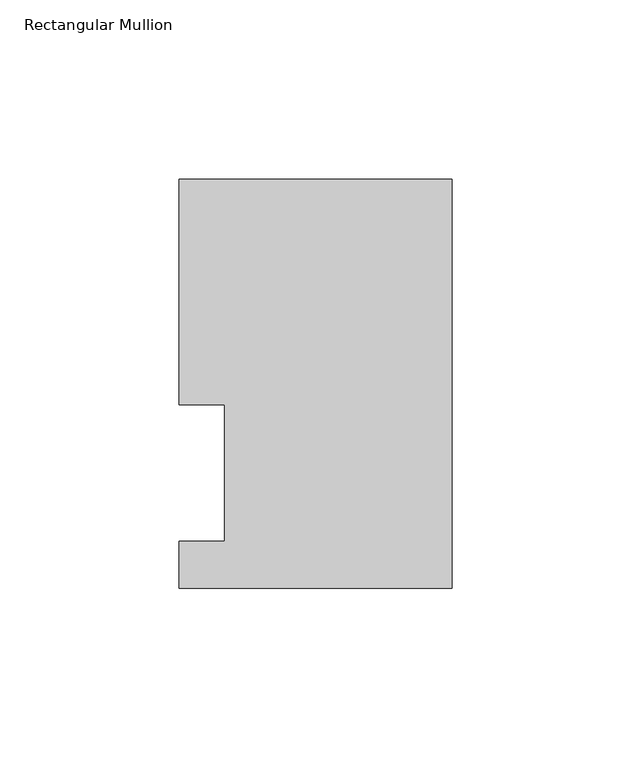
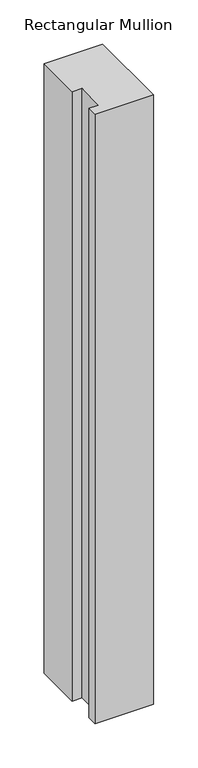
"""IFC4 building model written with IfcOpenShell, lengths in millimetres: member geometry, Rectangular Mullion."""

from ifc_helpers import new_model, si_unit, frame, origin, place, context, project, spatial, polyline, outline, extrude, source, transform, mapped, element, save


def rectangular_mullion_904b9cc3(model_context):
    return source(origin(), model_context, "Body", "SweptSolid", [
        extrude(outline(polyline([(0.0, 115.5779375), (0.0, 1.2982575), (-76.1999994, 1.2982575), (-76.1999994, 14.4859375), (-63.5, 14.4859375), (-63.5, 52.5859375), (-76.1991956, 52.5859375), (-76.1991956, 115.5779375), (0.0, 115.5779375)])), frame((0.0, 0.0, -838.3737198), z_axis=(0.0, 0.0, 1.0), x_axis=(1.0, 0.0, 0.0)), (0.0, 0.0, 1.0), 838.3737198),
    ])


if __name__ == "__main__":
    model = new_model("IFC4")
    model_context = context("Model", 3, world=origin())
    ifc_project = project(units=[si_unit("LENGTHUNIT", "METRE", prefix="MILLI")], contexts=[model_context])
    site = spatial("IfcSite", under=ifc_project)
    building = spatial("IfcBuilding", under=site)
    placement = place(None, origin())
    rectangular_mullion_shape = rectangular_mullion_904b9cc3(model_context)
    element("IfcMember", 1, ObjectType="Rectangular Mullion", at=placement, inside=building, context=model_context, shape_type="MappedRepresentation", body=[
        mapped(rectangular_mullion_shape, transform((0.0, 0.0, 0.0), x_axis=(1.0, 0.0, 0.0), y_axis=(0.0, 1.0, 0.0), z_axis=(0.0, 0.0, 1.0))),
    ])
    save(model, "model.ifc")
